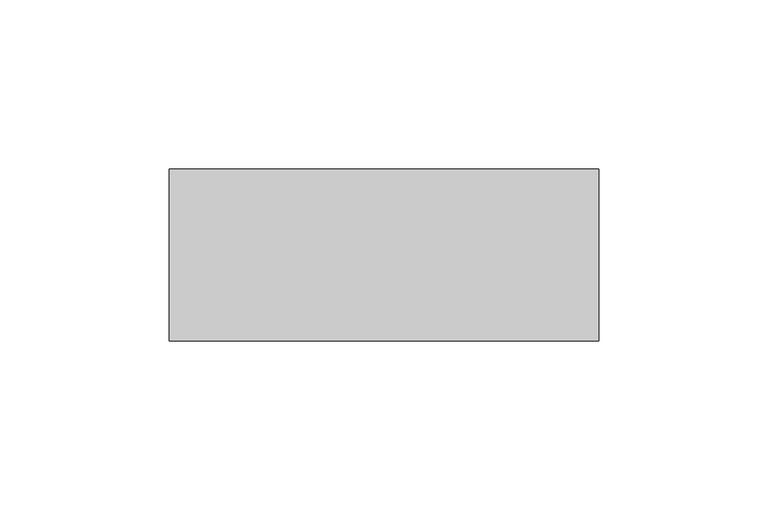
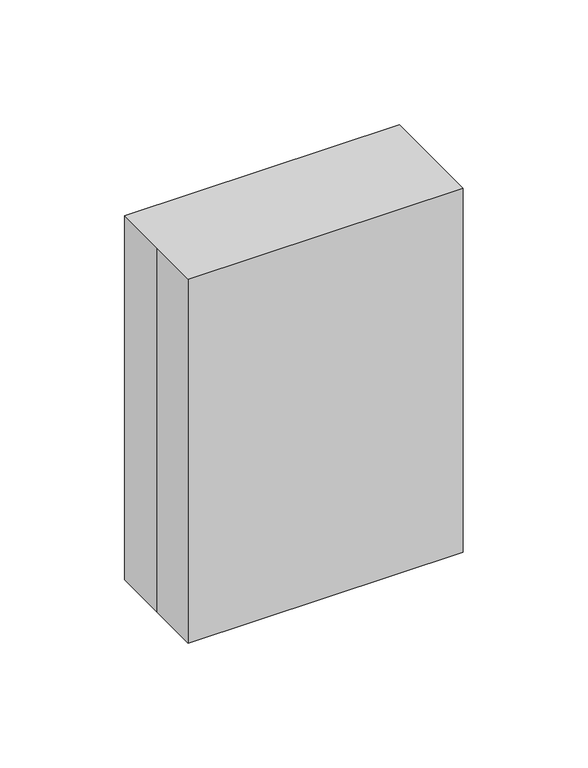
"""IFC4 building model written with IfcOpenShell, lengths in millimetres: proxy geometry."""

from ifc_helpers import new_model, si_unit, origin, origin_with_axes, place, context, project, spatial, polyline, outline, extrude, source, transform, mapped, element, save


def specialty_equipment_db762eca(model_context):
    return source(origin(), model_context, "Body", "SweptSolid", [
        extrude(outline(polyline([(57.9280548, 17.7620366), (57.9280548, -20.3379634), (-56.3719452, -20.3379634), (-56.3719452, 17.7620366), (57.9280548, 17.7620366)])), origin_with_axes(), (0.0, 0.0, 1.0), 165.1),
        extrude(outline(polyline([(-63.5, 25.4), (63.5, 25.4), (63.5, -25.4), (-63.5, -25.4), (-63.5, 0.0), (-63.5, 25.4)])), origin_with_axes(), (0.0, 0.0, 1.0), 177.8),
    ])


if __name__ == "__main__":
    model = new_model("IFC4")
    model_context = context("Model", 3, world=origin())
    ifc_project = project(units=[si_unit("LENGTHUNIT", "METRE", prefix="MILLI")], contexts=[model_context])
    site = spatial("IfcSite", under=ifc_project)
    building = spatial("IfcBuilding", under=site)
    placement = place(None, origin())
    specialty_equipment_shape = specialty_equipment_db762eca(model_context)
    element("IfcBuildingElementProxy", 1, Name="Specialty Equipment", at=placement, inside=building, context=model_context, shape_type="MappedRepresentation", body=[
        mapped(specialty_equipment_shape, transform((0.0, 0.0, 0.0), x_axis=(1.0, 0.0, 0.0), y_axis=(0.0, 1.0, 0.0), z_axis=(0.0, 0.0, 1.0))),
    ])
    save(model, "model.ifc")
